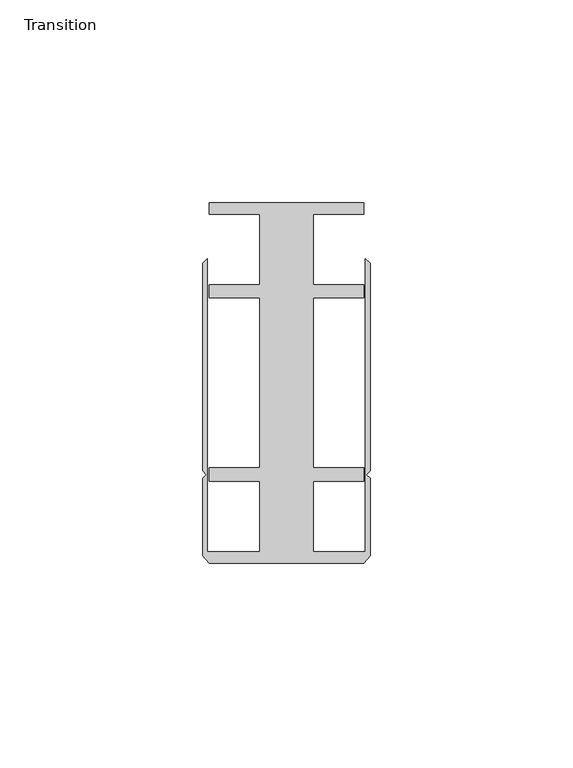
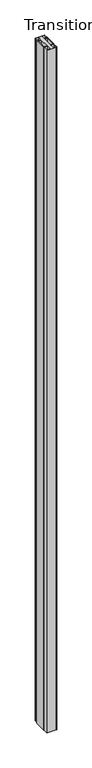
"""IFC4 building model written with IfcOpenShell, lengths in millimetres: furniture geometry, Transition."""

import ifcopenshell
import ifcopenshell.guid

model = None  # the IFC model being written
_history = None  # IfcOwnerHistory: only IFC2X3 demands one
_inside = {}  # id of a spatial element -> (the spatial element, [elements in it])
_under = {}  # id of a project, library or spatial element -> (it, [spatial elements below it])
_declared = {}  # id of a project -> (the project, [libraries it declares])
_typed = {}  # id of a type object -> (the type object, [elements of that type])
_made_of = {}  # id of a material, layer set ... -> (it, [elements and type objects made of it])


def new_model(schema):
    """Start an empty IFC model of exactly this schema.

    Asked for "IFC4X3", IfcOpenShell would pick the latest addendum, in which some entities
    have other attributes; the version numbers below select the first issue.
    IFC2X3 requires an IfcOwnerHistory on every rooted entity: one is made here for all.
    """
    global model, _history
    if schema == "IFC4X3":
        model = ifcopenshell.file(schema_version=(4, 3, 0, 0))
    else:
        model = ifcopenshell.file(schema=schema)
    _inside.clear()
    _under.clear()
    _declared.clear()
    _typed.clear()
    _made_of.clear()
    _history = None
    if model.schema == "IFC2X3":
        org = make("IfcOrganization", Name="unknown")
        user = make(
            "IfcPersonAndOrganization",
            ThePerson=make("IfcPerson", FamilyName="unknown"),
            TheOrganization=org,
        )
        app = make(
            "IfcApplication",
            ApplicationDeveloper=org,
            Version="unknown",
            ApplicationFullName="unknown",
            ApplicationIdentifier="unknown",
        )
        _history = make(
            "IfcOwnerHistory",
            OwningUser=user,
            OwningApplication=app,
            ChangeAction="ADDED",
            CreationDate=0,
        )
    return model


def make(cls, **values):
    """One entity of the class cls with the attributes given. An attribute that is None is left unset."""
    return model.create_entity(
        cls, **{name: value for name, value in values.items() if value is not None}
    )


def rooted(cls, **values):
    """An entity with a GlobalId (a new one), such as an element, a storey or a relation."""
    return make(cls, GlobalId=ifcopenshell.guid.new(), OwnerHistory=_history, **values)


def si_unit(unit_type, name, prefix=None):
    """IfcSIUnit, for example si_unit("LENGTHUNIT", "METRE", prefix="MILLI")."""
    return make("IfcSIUnit", UnitType=unit_type, Prefix=prefix, Name=name)


def assignment(units):
    """IfcUnitAssignment: the units of a project."""
    return None if units is None else make("IfcUnitAssignment", Units=units)


def point(xyz):
    """IfcCartesianPoint."""
    return None if xyz is None else make("IfcCartesianPoint", Coordinates=xyz)


def direction(xyz):
    """IfcDirection."""
    return None if xyz is None else make("IfcDirection", DirectionRatios=xyz)


def frame(location, z_axis=None, x_axis=None):
    """IfcAxis2Placement3D, a coordinate frame: its origin and axes. An axis left out is left unset."""
    return make(
        "IfcAxis2Placement3D",
        Location=point(location),
        Axis=direction(z_axis),
        RefDirection=direction(x_axis),
    )


def origin():
    """The frame at (0, 0, 0) with its axes left unset."""
    return frame((0.0, 0.0, 0.0))


def origin_with_axes():
    """The frame at (0, 0, 0) with the z axis (0, 0, 1) and the x axis (1, 0, 0) written out."""
    return frame((0.0, 0.0, 0.0), z_axis=(0.0, 0.0, 1.0), x_axis=(1.0, 0.0, 0.0))


def place(relative_to, where):
    """IfcLocalPlacement: puts the frame where relative to a parent placement (None: the world)."""
    return make(
        "IfcLocalPlacement", PlacementRelTo=relative_to, RelativePlacement=where
    )


def context(
    kind, dimensions, precision=None, world=None, true_north=None, identifier=None
):
    """IfcGeometricRepresentationContext, for example the 3D "Model" context."""
    return make(
        "IfcGeometricRepresentationContext",
        ContextIdentifier=identifier,
        ContextType=kind,
        CoordinateSpaceDimension=dimensions,
        Precision=precision,
        WorldCoordinateSystem=world,
        TrueNorth=true_north,
    )


def project(units=None, contexts=None):
    """IfcProject with its units and contexts."""
    return rooted(
        "IfcProject",
        Name="project",
        RepresentationContexts=contexts,
        UnitsInContext=assignment(units),
    )


def spatial(cls, under=None, at=None, **own):
    """A site, building, storey or space (cls), placed at a placement, below another one or the project."""
    s = rooted(cls, ObjectPlacement=at, **own)
    if under is not None:
        _under.setdefault(under.id(), (under, []))[1].append(s)
    return s


def polyline(points):
    """IfcPolyline through the points."""
    return make("IfcPolyline", Points=[point(p) for p in points])


def outline(outer, holes=None, kind="AREA"):
    """IfcArbitraryClosedProfileDef: a profile drawn as a closed curve; with holes, ...WithVoids."""
    if holes is None:
        return make("IfcArbitraryClosedProfileDef", ProfileType=kind, OuterCurve=outer)
    return make(
        "IfcArbitraryProfileDefWithVoids",
        ProfileType=kind,
        OuterCurve=outer,
        InnerCurves=holes,
    )


def extrude(swept, where, along, depth):
    """IfcExtrudedAreaSolid: the profile swept, set in the frame where, extruded along a direction by depth."""
    return make(
        "IfcExtrudedAreaSolid",
        SweptArea=swept,
        Position=where,
        ExtrudedDirection=direction(along),
        Depth=depth,
    )


def shape(context_of_items, identifier, shape_type, items):
    """IfcShapeRepresentation: the items that make up one representation, for example the "Body"."""
    return make(
        "IfcShapeRepresentation",
        ContextOfItems=context_of_items,
        RepresentationIdentifier=identifier,
        RepresentationType=shape_type,
        Items=items,
    )


def source(mapping_origin, context_of_items, identifier, shape_type, items):
    """IfcRepresentationMap: a shape defined once, which mapped items show again and again."""
    return make(
        "IfcRepresentationMap",
        MappingOrigin=mapping_origin,
        MappedRepresentation=shape(context_of_items, identifier, shape_type, items),
    )


def transform(
    local_origin,
    x_axis=None,
    y_axis=None,
    z_axis=None,
    scale=None,
    scale2=None,
    scale3=None,
    uniform=True,
):
    """IfcCartesianTransformationOperator3D, or its non-uniform kind. x_axis, y_axis, z_axis: its Axis1, 2, 3."""
    if uniform:
        return make(
            "IfcCartesianTransformationOperator3D",
            Axis1=direction(x_axis),
            Axis2=direction(y_axis),
            LocalOrigin=point(local_origin),
            Scale=scale,
            Axis3=direction(z_axis),
        )
    return make(
        "IfcCartesianTransformationOperator3DnonUniform",
        Axis1=direction(x_axis),
        Axis2=direction(y_axis),
        LocalOrigin=point(local_origin),
        Scale=scale,
        Axis3=direction(z_axis),
        Scale2=scale2,
        Scale3=scale3,
    )


def mapped(mapping_source, mapping_target):
    """IfcMappedItem: shows the shape of a source again, moved by a transform."""
    return make(
        "IfcMappedItem", MappingSource=mapping_source, MappingTarget=mapping_target
    )


def made_of(thing, what):
    """Note that an element or type object is made of a material, layer set ...; save() writes the relation."""
    if what is not None:
        _made_of.setdefault(what.id(), (what, []))[1].append(thing)
    return thing


def element(
    cls,
    number,
    at=None,
    inside=None,
    cuts=None,
    type_object=None,
    material=None,
    context=None,
    identifier="Body",
    shape_type=None,
    held_by="IfcProductDefinitionShape",
    body=None,
    shapes=None,
    **own,
):
    """One element of the class cls, such as IfcWall. Its Tag is "e" and its number.

    at: its placement. inside: the storey or other place that contains it. cuts: it is an
    opening in that element (IfcRelVoidsElement). A single representation is given by context,
    identifier, shape_type and body (its items); several are given by shapes. held_by: the class
    of the entity that holds the representations. save() writes the other relations.
    """
    e = rooted(cls, Tag="e%d" % number, ObjectPlacement=at, **own)
    if body is not None:
        shapes = [shape(context, identifier, shape_type, body)]
    if shapes is not None:
        e.Representation = make(held_by, Representations=shapes)
    if inside is not None:
        _inside.setdefault(inside.id(), (inside, []))[1].append(e)
    if cuts is not None:
        rooted(
            "IfcRelVoidsElement", RelatingBuildingElement=cuts, RelatedOpeningElement=e
        )
    if type_object is not None:
        _typed.setdefault(type_object.id(), (type_object, []))[1].append(e)
    return made_of(e, material)


def aggregate(whole, parts):
    """IfcRelAggregates: a whole, such as a stair, and the parts it consists of."""
    return rooted("IfcRelAggregates", RelatingObject=whole, RelatedObjects=parts)


def save(model, path):
    """Write the relations noted so far, then the file.

    IfcRelAggregates (storeys below a building ...), IfcRelContainedInSpatialStructure (elements
    in a storey), IfcRelDefinesByType, IfcRelAssociatesMaterial and IfcRelDeclares: one each for
    every whole, place, type object, material and project.
    """
    for whole, parts in _under.values():
        aggregate(whole, parts)
    for where, things in _inside.values():
        rooted(
            "IfcRelContainedInSpatialStructure",
            RelatedElements=things,
            RelatingStructure=where,
        )
    for kind, things in _typed.values():
        rooted("IfcRelDefinesByType", RelatedObjects=things, RelatingType=kind)
    for what, things in _made_of.values():
        rooted("IfcRelAssociatesMaterial", RelatedObjects=things, RelatingMaterial=what)
    for by, libraries in _declared.values():
        rooted("IfcRelDeclares", RelatingContext=by, RelatedDefinitions=libraries)
    model.write(path)


def transition_3304f549(model_context):
    return source(origin(), model_context, "Body", "SweptSolid", [
        extrude(outline(polyline([(36.5771534, 57.1518064), (36.5771534, 39.7518058), (49.0271531, 39.7518058), (49.0271531, 36.4518057), (36.5771534, 36.4518057), (36.5771534, -5.4481956), (49.0271531, -5.4481956), (49.0271531, -8.7481957), (36.5771534, -8.7481957), (36.5771534, -26.1481963), (49.4695633, -26.1481963), (49.4695633, 46.1177636), (50.6146531, 44.9726737), (50.6146531, -6.2135897), (49.7063205, -7.1219223), (50.6146531, -8.0302549), (50.6146531, -27.0760904), (49.0271531, -28.948195), (10.9271531, -28.948195), (9.3396531, -27.0760904), (9.3396531, -8.0302549), (10.2479857, -7.1219223), (9.3396531, -6.2135897), (9.3396531, 44.9726737), (10.484743, 46.1177636), (10.484743, -26.1481963), (23.3771529, -26.1481963), (23.3771529, -8.7481957), (10.9271531, -8.7481957), (10.9271531, -5.4481956), (23.3771529, -5.4481956), (23.3771529, 36.4518057), (10.9271531, 36.4518057), (10.9271531, 39.7518058), (23.3771529, 39.7518058), (23.3771529, 57.1518064), (10.9271531, 57.1518064), (10.9271531, 59.951805), (49.0271531, 59.951805), (49.0271531, 57.1518064), (36.5771534, 57.1518064)])), origin_with_axes(), (0.0, 0.0, 1.0), 3048.0),
    ])


if __name__ == "__main__":
    model = new_model("IFC4")
    model_context = context("Model", 3, world=origin())
    ifc_project = project(units=[si_unit("LENGTHUNIT", "METRE", prefix="MILLI")], contexts=[model_context])
    site = spatial("IfcSite", under=ifc_project)
    building = spatial("IfcBuilding", under=site)
    placement = place(None, origin())
    transition_shape = transition_3304f549(model_context)
    element("IfcFurniture", 1, ObjectType="Transition", at=placement, inside=building, context=model_context, shape_type="MappedRepresentation", body=[
        mapped(transition_shape, transform((0.0, 0.0, 0.0), x_axis=(1.0, 0.0, 0.0), y_axis=(0.0, 1.0, 0.0), z_axis=(0.0, 0.0, 1.0))),
    ])
    save(model, "model.ifc")
